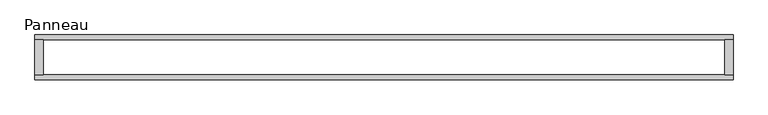
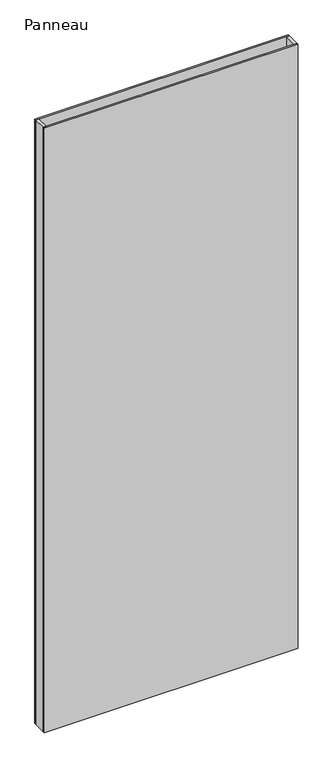
"""IFC4 building model written with IfcOpenShell, lengths in millimetres: plate geometry, Panneau."""

from ifc_helpers import new_model, si_unit, origin, origin_with_axes, place, context, project, spatial, polyline, outline, extrude, source, transform, mapped, element, save


def panneau_29e0aa89(model_context):
    return source(origin(), model_context, "Body", "SweptSolid", [
        extrude(outline(polyline([(-565.2142858, 29.2), (-565.2142858, -29.2), (-579.2142858, -29.2), (-579.2142858, 29.2), (-565.2142858, 29.2)])), origin_with_axes(), (0.0, 0.0, 1.0), 2915.0),
        extrude(outline(polyline([(579.2142858, 29.2), (579.2142858, -29.2), (565.2142858, -29.2), (565.2142858, 29.2), (579.2142858, 29.2)])), origin_with_axes(), (0.0, 0.0, 1.0), 2915.0),
        extrude(outline(polyline([(579.2142858, 29.2), (-579.2142858, 29.2), (-579.2142858, 37.2), (579.2142858, 37.2), (579.2142858, 29.2)])), origin_with_axes(), (0.0, 0.0, 1.0), 2915.0),
        extrude(outline(polyline([(-579.2142858, -37.2), (-579.2142858, -29.2), (579.2142858, -29.2), (579.2142858, -37.2), (-579.2142858, -37.2)])), origin_with_axes(), (0.0, 0.0, 1.0), 2915.0),
    ])


if __name__ == "__main__":
    model = new_model("IFC4")
    model_context = context("Model", 3, world=origin())
    ifc_project = project(units=[si_unit("LENGTHUNIT", "METRE", prefix="MILLI")], contexts=[model_context])
    site = spatial("IfcSite", under=ifc_project)
    building = spatial("IfcBuilding", under=site)
    placement = place(None, origin())
    panneau_shape = panneau_29e0aa89(model_context)
    element("IfcPlate", 1, ObjectType="Panneau", at=placement, inside=building, context=model_context, shape_type="MappedRepresentation", body=[
        mapped(panneau_shape, transform((0.0, 0.0, 0.0), x_axis=(1.0, 0.0, 0.0), y_axis=(0.0, 1.0, 0.0), z_axis=(0.0, 0.0, 1.0))),
    ])
    save(model, "model.ifc")
